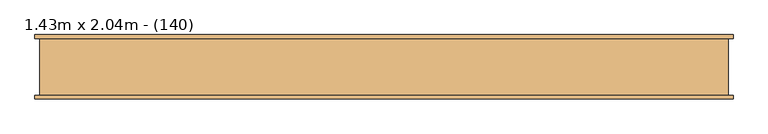
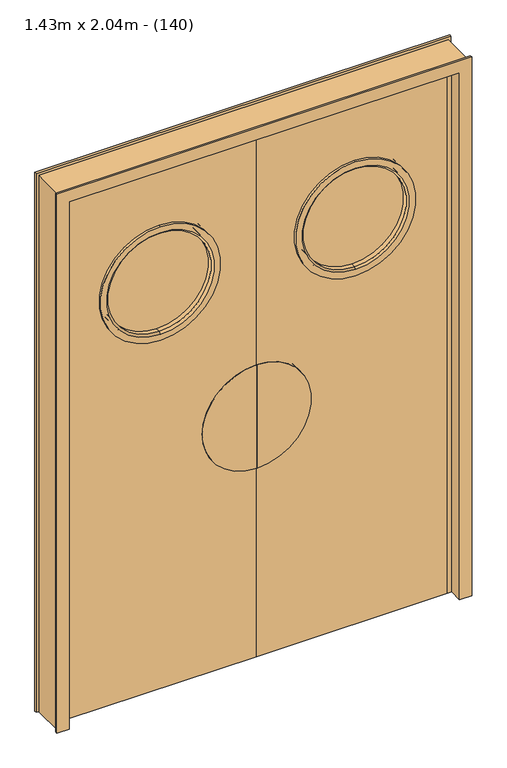
"""IFC4 building model written with IfcOpenShell, lengths in millimetres: door geometry, 1.43m x 2.04m - (140)."""

from ifc_helpers import new_model, si_unit, point, frame, frame_2d, origin, place, context, project, spatial, polyline, circle_curve, trimmed, segment, composite_curve, outline, extrude, faceted_brep, source, transform, mapped, element, save
from ifc_brep_helpers import plane_surface, cylinder_surface, revolved_surface, advanced_brep


def door_1_43m_x_2_04m_140_79fa0067(model_context):
    return source(origin(), model_context, "Body", "SolidModel", [
        faceted_brep([(-750.0, -62.0, 0.0), (-750.0, 62.0, 0.0), (-760.0, 62.0, 0.0), (-760.0, 70.0, 0.0), (-715.0, 70.0, 0.0), (-715.0, 20.0, 0.0), (-700.0, 20.0, 0.0), (-700.0, -20.0, 0.0), (-715.0, -20.0, 0.0), (-715.0, -70.0, 0.0), (-760.0, -70.0, 0.0), (-760.0, -62.0, 0.0), (-750.0, -62.0, 2075.0), (-750.0, 62.0, 2075.0), (750.0, 62.0, 2075.0), (750.0, 62.0, 0.0), (760.0, 62.0, 0.0), (760.0, 62.0, 2085.0), (-760.0, 62.0, 2085.0), (-760.0, 70.0, 2085.0), (760.0, 70.0, 2085.0), (760.0, 70.0, 0.0), (715.0, 70.0, 0.0), (715.0, 70.0, 2040.0), (-715.0, 70.0, 2040.0), (-715.0, 20.0, 2040.0), (715.0, 20.0, 2040.0), (715.0, 20.0, 0.0), (700.0, 20.0, 0.0), (700.0, 20.0, 2025.0), (-700.0, 20.0, 2025.0), (-700.0, -20.0, 2025.0), (700.0, -20.0, 2025.0), (700.0, -20.0, 0.0), (715.0, -20.0, 0.0), (715.0, -20.0, 2040.0), (-715.0, -20.0, 2040.0), (-715.0, -70.0, 2040.0), (715.0, -70.0, 2040.0), (715.0, -70.0, 0.0), (760.0, -70.0, 0.0), (760.0, -70.0, 2085.0), (-760.0, -70.0, 2085.0), (-760.0, -62.0, 2085.0), (760.0, -62.0, 2085.0), (760.0, -62.0, 0.0), (750.0, -62.0, 0.0), (750.0, -62.0, 2075.0)], [[[0, 1, 2, 3, 4, 5, 6, 7, 8, 9, 10, 11]], [[1, 0, 12, 13]], [[2, 1, 13, 14, 15, 16, 17, 18]], [[3, 2, 18, 19]], [[4, 3, 19, 20, 21, 22, 23, 24]], [[5, 4, 24, 25]], [[6, 5, 25, 26, 27, 28, 29, 30]], [[7, 6, 30, 31]], [[8, 7, 31, 32, 33, 34, 35, 36]], [[9, 8, 36, 37]], [[10, 9, 37, 38, 39, 40, 41, 42]], [[11, 10, 42, 43]], [[0, 11, 43, 44, 45, 46, 47, 12]], [[14, 47, 46, 15]], [[46, 45, 40, 39, 34, 33, 28, 27, 22, 21, 16, 15]], [[20, 17, 16, 21]], [[26, 23, 22, 27]], [[32, 29, 28, 33]], [[38, 35, 34, 39]], [[44, 41, 40, 45]], [[13, 12, 47, 14]], [[19, 18, 17, 20]], [[25, 24, 23, 26]], [[31, 30, 29, 32]], [[37, 36, 35, 38]], [[43, 42, 41, 44]]]),
        extrude(outline(composite_curve([segment(trimmed(circle_curve(frame_2d((1575.0, 357.5)), 200.0), [point((1375.0, 357.5))], [point((1775.0, 357.5))], False, "CARTESIAN"), True, "CONTINUOUS"), segment(trimmed(circle_curve(frame_2d((1575.0, 357.5)), 200.0), [point((1775.0, 357.5))], [point((1375.0, 357.5))], False, "CARTESIAN"), True, "CONTINUOUS")], self_intersect=False)), frame((0.0, -5.0, 0.0), z_axis=(0.0, 1.0, 0.0), x_axis=(0.0, 0.0, 1.0)), (0.0, 0.0, 1.0), 10.0),
        extrude(outline(composite_curve([segment(trimmed(circle_curve(frame_2d((1575.0, -357.5)), 200.0), [point((1775.0, -357.5))], [point((1375.0, -357.5))], False, "CARTESIAN"), True, "CONTINUOUS"), segment(trimmed(circle_curve(frame_2d((1575.0, -357.5)), 200.0), [point((1375.0, -357.5))], [point((1775.0, -357.5))], False, "CARTESIAN"), True, "CONTINUOUS")], self_intersect=False)), frame((0.0, -5.0, 0.0), z_axis=(0.0, 1.0, 0.0), x_axis=(0.0, 0.0, 1.0)), (0.0, 0.0, 1.0), 10.0),
        extrude(outline(polyline([(2025.0, 700.0), (2025.0, 0.0), (0.0, 0.0), (0.0, 700.0), (2025.0, 700.0)]), holes=[composite_curve([segment(trimmed(circle_curve(frame_2d((1575.0, 357.5)), 200.0), [point((1375.0, 357.5))], [point((1775.0, 357.5))], True, "CARTESIAN"), True, "CONTINUOUS"), segment(trimmed(circle_curve(frame_2d((1575.0, 357.5)), 200.0), [point((1775.0, 357.5))], [point((1375.0, 357.5))], True, "CARTESIAN"), True, "CONTINUOUS")], self_intersect=False)]), frame((0.0, -20.0, 0.0), z_axis=(0.0, 1.0, 0.0), x_axis=(0.0, 0.0, 1.0)), (0.0, 0.0, 1.0), 40.0),
        extrude(outline(polyline([(2025.0, 0.0), (2025.0, -700.0), (0.0, -700.0), (0.0, 0.0), (2025.0, 0.0)]), holes=[composite_curve([segment(trimmed(circle_curve(frame_2d((1575.0, -357.5)), 200.0), [point((1375.0, -357.5))], [point((1775.0, -357.5))], True, "CARTESIAN"), True, "CONTINUOUS"), segment(trimmed(circle_curve(frame_2d((1575.0, -357.5)), 200.0), [point((1775.0, -357.5))], [point((1375.0, -357.5))], True, "CARTESIAN"), True, "CONTINUOUS")], self_intersect=False)]), frame((0.0, -20.0, 0.0), z_axis=(0.0, 1.0, 0.0), x_axis=(0.0, 0.0, 1.0)), (0.0, 0.0, 1.0), 40.0),
        advanced_brep(
        [(357.5, -30.0, 1795.0), (357.5, -30.0, 1355.0), (357.5, -20.0, 1355.0), (357.5, -20.0, 1795.0), (357.5, -24.1421356, 1765.0), (357.5, -24.1421356, 1385.0), (357.5, -30.0, 1379.1421356), (357.5, -30.0, 1770.8578644), (357.5, -5.0, 1765.0), (357.5, -5.0, 1385.0), (357.5, -20.0, 1775.0), (357.5, -20.0, 1375.0), (357.5, -5.0, 1375.0), (357.5, -5.0, 1775.0)],
        [
            (0, 1, circle_curve(frame((357.5, -30.0, 1575.0), z_axis=(0.0, 1.0, 0.0), x_axis=(0.0, 0.0, -1.0)), 220.0)),
            (1, 2),
            (2, 3, circle_curve(frame((357.5, -20.0, 1575.0), z_axis=(0.0, -1.0, 0.0), x_axis=(0.0, 0.0, -1.0)), 220.0)),
            (3, 0),
            (4, 5, circle_curve(frame((357.5, -24.1421356, 1575.0), z_axis=(0.0, 1.0, 0.0), x_axis=(0.0, 0.0, -1.0)), 190.0)),
            (5, 6),
            (6, 7, circle_curve(frame((357.5, -30.0, 1575.0), z_axis=(0.0, -1.0, 0.0), x_axis=(0.0, 0.0, -1.0)), 195.8578644)),
            (7, 4),
            (8, 9, circle_curve(frame((357.5, -5.0, 1575.0), z_axis=(0.0, 1.0, 0.0), x_axis=(0.0, 0.0, -1.0)), 190.0)),
            (9, 5),
            (4, 8),
            (10, 11, circle_curve(frame((357.5, -20.0, 1575.0), z_axis=(0.0, 1.0, 0.0), x_axis=(0.0, 0.0, -1.0)), 200.0)),
            (11, 12),
            (12, 13, circle_curve(frame((357.5, -5.0, 1575.0), z_axis=(0.0, -1.0, 0.0), x_axis=(0.0, 0.0, -1.0)), 200.0)),
            (13, 10),
            (2, 3, circle_curve(frame((357.5, -20.0, 1575.0), z_axis=(0.0, 1.0, 0.0), x_axis=(0.0, 0.0, 1.0)), 220.0)),
            (10, 11, circle_curve(frame((357.5, -20.0, 1575.0), z_axis=(0.0, -1.0, 0.0), x_axis=(0.0, 0.0, 1.0)), 200.0)),
            (1, 0, circle_curve(frame((357.5, -30.0, 1575.0), z_axis=(0.0, 1.0, 0.0), x_axis=(0.0, 0.0, 1.0)), 220.0)),
            (6, 7, circle_curve(frame((357.5, -30.0, 1575.0), z_axis=(0.0, 1.0, 0.0), x_axis=(0.0, 0.0, 1.0)), 195.8578644)),
            (5, 4, circle_curve(frame((357.5, -24.1421356, 1575.0), z_axis=(0.0, 1.0, 0.0), x_axis=(0.0, 0.0, 1.0)), 190.0)),
            (9, 8, circle_curve(frame((357.5, -5.0, 1575.0), z_axis=(0.0, 1.0, 0.0), x_axis=(0.0, 0.0, 1.0)), 190.0)),
            (12, 13, circle_curve(frame((357.5, -5.0, 1575.0), z_axis=(0.0, 1.0, 0.0), x_axis=(0.0, 0.0, 1.0)), 200.0)),
        ],
        [
            cylinder_surface(frame((357.5, -20.0, 1575.0), z_axis=(0.0, -1.0, 0.0), x_axis=(0.0, 0.0, -1.0)), 220.0),
            revolved_surface(polyline([(357.5, -30.0, 1379.1421356), (357.5, -24.1421356, 1385.0)]), (357.5, -20.0, 1575.0), (0.0, -1.0, 0.0)),
            revolved_surface(polyline([(357.5, -24.1421356, 1385.0), (357.5, -5.0, 1385.0)]), (357.5, -20.0, 1575.0), (0.0, -1.0, 0.0)),
            cylinder_surface(frame((357.5, -20.0, 1575.0), z_axis=(0.0, -1.0, 0.0), x_axis=(0.0, 0.0, -1.0)), 200.0),
            plane_surface(frame((357.5, -20.0, 1575.0), z_axis=(0.0, 1.0, 0.0), x_axis=(0.0, 0.0, 1.0))),
            cylinder_surface(frame((357.5, -20.0, 1575.0), z_axis=(0.0, -1.0, 0.0), x_axis=(0.0, 0.0, 1.0)), 220.0),
            plane_surface(frame((357.5, -30.0, 1575.0), z_axis=(0.0, -1.0, 0.0), x_axis=(0.0, 0.0, 1.0))),
            revolved_surface(polyline([(357.5, -30.0, 1770.8578644), (357.5, -24.1421356, 1765.0)]), (357.5, -20.0, 1575.0), (0.0, -1.0, 0.0)),
            revolved_surface(polyline([(357.5, -24.1421356, 1765.0), (357.5, -5.0, 1765.0)]), (357.5, -20.0, 1575.0), (0.0, -1.0, 0.0)),
            plane_surface(frame((357.5, -5.0, 1575.0), z_axis=(0.0, 1.0, 0.0), x_axis=(0.0, 0.0, 1.0))),
            cylinder_surface(frame((357.5, -20.0, 1575.0), z_axis=(0.0, -1.0, 0.0), x_axis=(0.0, 0.0, 1.0)), 200.0),
        ],
        [
            (0, [[1, 2, 3, 4]]),
            (1, [[5, 6, 7, 8]]),
            (2, [[9, 10, -5, 11]]),
            (3, [[12, 13, 14, 15]]),
            (4, [[16, -3], [17, -12]]),
            (5, [[18, -4, -16, -2]]),
            (6, [[-18, -1], [19, -7]]),
            (7, [[20, -8, -19, -6]]),
            (8, [[21, -11, -20, -10]]),
            (9, [[22, -14], [-21, -9]]),
            (10, [[-17, -15, -22, -13]]),
        ],
    ),
        advanced_brep(
        [(357.5, 5.0, 1775.0), (357.5, 5.0, 1375.0), (357.5, 20.0, 1375.0), (357.5, 20.0, 1775.0), (357.5, 24.1421356, 1765.0), (357.5, 24.1421356, 1385.0), (357.5, 5.0, 1385.0), (357.5, 5.0, 1765.0), (357.5, 30.0, 1770.8578644), (357.5, 30.0, 1379.1421356), (357.5, 20.0, 1795.0), (357.5, 20.0, 1355.0), (357.5, 30.0, 1355.0), (357.5, 30.0, 1795.0)],
        [
            (0, 1, circle_curve(frame((357.5, 5.0, 1575.0), z_axis=(0.0, 1.0, 0.0), x_axis=(0.0, 0.0, -1.0)), 200.0)),
            (1, 2),
            (2, 3, circle_curve(frame((357.5, 20.0, 1575.0), z_axis=(0.0, -1.0, 0.0), x_axis=(0.0, 0.0, -1.0)), 200.0)),
            (3, 0),
            (4, 5, circle_curve(frame((357.5, 24.1421356, 1575.0), z_axis=(0.0, 1.0, 0.0), x_axis=(0.0, 0.0, -1.0)), 190.0)),
            (5, 6),
            (6, 7, circle_curve(frame((357.5, 5.0, 1575.0), z_axis=(0.0, -1.0, 0.0), x_axis=(0.0, 0.0, -1.0)), 190.0)),
            (7, 4),
            (8, 9, circle_curve(frame((357.5, 30.0, 1575.0), z_axis=(0.0, 1.0, 0.0), x_axis=(0.0, 0.0, -1.0)), 195.8578644)),
            (9, 5),
            (4, 8),
            (10, 11, circle_curve(frame((357.5, 20.0, 1575.0), z_axis=(0.0, 1.0, 0.0), x_axis=(0.0, 0.0, -1.0)), 220.0)),
            (11, 12),
            (12, 13, circle_curve(frame((357.5, 30.0, 1575.0), z_axis=(0.0, -1.0, 0.0), x_axis=(0.0, 0.0, -1.0)), 220.0)),
            (13, 10),
            (1, 0, circle_curve(frame((357.5, 5.0, 1575.0), z_axis=(0.0, 1.0, 0.0), x_axis=(0.0, 0.0, 1.0)), 200.0)),
            (3, 2, circle_curve(frame((357.5, 20.0, 1575.0), z_axis=(0.0, -1.0, 0.0), x_axis=(0.0, 0.0, 1.0)), 200.0)),
            (6, 7, circle_curve(frame((357.5, 5.0, 1575.0), z_axis=(0.0, 1.0, 0.0), x_axis=(0.0, 0.0, 1.0)), 190.0)),
            (5, 4, circle_curve(frame((357.5, 24.1421356, 1575.0), z_axis=(0.0, 1.0, 0.0), x_axis=(0.0, 0.0, 1.0)), 190.0)),
            (9, 8, circle_curve(frame((357.5, 30.0, 1575.0), z_axis=(0.0, 1.0, 0.0), x_axis=(0.0, 0.0, 1.0)), 195.8578644)),
            (12, 13, circle_curve(frame((357.5, 30.0, 1575.0), z_axis=(0.0, 1.0, 0.0), x_axis=(0.0, 0.0, 1.0)), 220.0)),
            (11, 10, circle_curve(frame((357.5, 20.0, 1575.0), z_axis=(0.0, 1.0, 0.0), x_axis=(0.0, 0.0, 1.0)), 220.0)),
        ],
        [
            cylinder_surface(frame((357.5, -20.0, 1575.0), z_axis=(0.0, -1.0, 0.0), x_axis=(0.0, 0.0, -1.0)), 200.0),
            revolved_surface(polyline([(357.5, 5.0, 1385.0), (357.5, 24.142135600000003, 1385.0)]), (357.5, -20.0, 1575.0), (0.0, -1.0, 0.0)),
            revolved_surface(polyline([(357.5, 24.1421356, 1385.0), (357.5, 30.0, 1379.1421356)]), (357.5, -20.0, 1575.0), (0.0, -1.0, 0.0)),
            cylinder_surface(frame((357.5, -20.0, 1575.0), z_axis=(0.0, -1.0, 0.0), x_axis=(0.0, 0.0, -1.0)), 220.0),
            cylinder_surface(frame((357.5, -20.0, 1575.0), z_axis=(0.0, -1.0, 0.0), x_axis=(0.0, 0.0, 1.0)), 200.0),
            plane_surface(frame((357.5, 5.0, 1575.0), z_axis=(0.0, -1.0, 0.0), x_axis=(0.0, 0.0, 1.0))),
            revolved_surface(polyline([(357.5, 5.0, 1765.0), (357.5, 24.142135600000003, 1765.0)]), (357.5, -20.0, 1575.0), (0.0, -1.0, 0.0)),
            revolved_surface(polyline([(357.5, 24.1421356, 1765.0), (357.5, 30.0, 1770.8578644)]), (357.5, -20.0, 1575.0), (0.0, -1.0, 0.0)),
            plane_surface(frame((357.5, 30.0, 1575.0), z_axis=(0.0, 1.0, 0.0), x_axis=(0.0, 0.0, 1.0))),
            cylinder_surface(frame((357.5, -20.0, 1575.0), z_axis=(0.0, -1.0, 0.0), x_axis=(0.0, 0.0, 1.0)), 220.0),
            plane_surface(frame((357.5, 20.0, 1575.0), z_axis=(0.0, -1.0, 0.0), x_axis=(0.0, 0.0, 1.0))),
        ],
        [
            (0, [[1, 2, 3, 4]]),
            (1, [[5, 6, 7, 8]]),
            (2, [[9, 10, -5, 11]]),
            (3, [[12, 13, 14, 15]]),
            (4, [[16, -4, 17, -2]]),
            (5, [[-16, -1], [18, -7]]),
            (6, [[19, -8, -18, -6]]),
            (7, [[20, -11, -19, -10]]),
            (8, [[21, -14], [-20, -9]]),
            (9, [[22, -15, -21, -13]]),
            (10, [[-22, -12], [-17, -3]]),
        ],
    ),
        advanced_brep(
        [(-357.5, -30.0, 1795.0), (-357.5, -30.0, 1355.0), (-357.5, -20.0, 1355.0), (-357.5, -20.0, 1795.0), (-357.5, -22.874508, 1765.0), (-357.5, -22.874508, 1385.0), (-357.5, -30.0, 1377.874508), (-357.5, -30.0, 1772.125492), (-357.5, -5.0, 1765.0), (-357.5, -5.0, 1385.0), (-357.5, -20.0, 1775.0), (-357.5, -20.0, 1375.0), (-357.5, -5.0, 1375.0), (-357.5, -5.0, 1775.0)],
        [
            (0, 1, circle_curve(frame((-357.5, -30.0, 1575.0), z_axis=(0.0, 1.0, 0.0), x_axis=(0.0, 0.0, -1.0)), 220.0)),
            (1, 2),
            (2, 3, circle_curve(frame((-357.5, -20.0, 1575.0), z_axis=(0.0, -1.0, 0.0), x_axis=(0.0, 0.0, -1.0)), 220.0)),
            (3, 0),
            (4, 5, circle_curve(frame((-357.5, -22.874508, 1575.0), z_axis=(0.0, 1.0, 0.0), x_axis=(0.0, 0.0, -1.0)), 190.0)),
            (5, 6),
            (6, 7, circle_curve(frame((-357.5, -30.0, 1575.0), z_axis=(0.0, -1.0, 0.0), x_axis=(0.0, 0.0, -1.0)), 197.125492)),
            (7, 4),
            (8, 9, circle_curve(frame((-357.5, -5.0, 1575.0), z_axis=(0.0, 1.0, 0.0), x_axis=(0.0, 0.0, -1.0)), 190.0)),
            (9, 5),
            (4, 8),
            (10, 11, circle_curve(frame((-357.5, -20.0, 1575.0), z_axis=(0.0, 1.0, 0.0), x_axis=(0.0, 0.0, -1.0)), 200.0)),
            (11, 12),
            (12, 13, circle_curve(frame((-357.5, -5.0, 1575.0), z_axis=(0.0, -1.0, 0.0), x_axis=(0.0, 0.0, -1.0)), 200.0)),
            (13, 10),
            (2, 3, circle_curve(frame((-357.5, -20.0, 1575.0), z_axis=(0.0, 1.0, 0.0), x_axis=(0.0, 0.0, 1.0)), 220.0)),
            (10, 11, circle_curve(frame((-357.5, -20.0, 1575.0), z_axis=(0.0, -1.0, 0.0), x_axis=(0.0, 0.0, 1.0)), 200.0)),
            (1, 0, circle_curve(frame((-357.5, -30.0, 1575.0), z_axis=(0.0, 1.0, 0.0), x_axis=(0.0, 0.0, 1.0)), 220.0)),
            (6, 7, circle_curve(frame((-357.5, -30.0, 1575.0), z_axis=(0.0, 1.0, 0.0), x_axis=(0.0, 0.0, 1.0)), 197.125492)),
            (5, 4, circle_curve(frame((-357.5, -22.874508, 1575.0), z_axis=(0.0, 1.0, 0.0), x_axis=(0.0, 0.0, 1.0)), 190.0)),
            (9, 8, circle_curve(frame((-357.5, -5.0, 1575.0), z_axis=(0.0, 1.0, 0.0), x_axis=(0.0, 0.0, 1.0)), 190.0)),
            (12, 13, circle_curve(frame((-357.5, -5.0, 1575.0), z_axis=(0.0, 1.0, 0.0), x_axis=(0.0, 0.0, 1.0)), 200.0)),
        ],
        [
            cylinder_surface(frame((-357.5, -20.0, 1575.0), z_axis=(0.0, -1.0, 0.0), x_axis=(0.0, 0.0, -1.0)), 220.0),
            revolved_surface(polyline([(-357.5, -30.0, 1377.874508), (-357.5, -22.874508, 1385.0)]), (-357.5, -20.0, 1575.0), (0.0, -1.0, 0.0)),
            revolved_surface(polyline([(-357.5, -22.874508, 1385.0), (-357.5, -5.0, 1385.0)]), (-357.5, -20.0, 1575.0), (0.0, -1.0, 0.0)),
            cylinder_surface(frame((-357.5, -20.0, 1575.0), z_axis=(0.0, -1.0, 0.0), x_axis=(0.0, 0.0, -1.0)), 200.0),
            plane_surface(frame((-357.5, -20.0, 1575.0), z_axis=(0.0, 1.0, 0.0), x_axis=(0.0, 0.0, 1.0))),
            cylinder_surface(frame((-357.5, -20.0, 1575.0), z_axis=(0.0, -1.0, 0.0), x_axis=(0.0, 0.0, 1.0)), 220.0),
            plane_surface(frame((-357.5, -30.0, 1575.0), z_axis=(0.0, -1.0, 0.0), x_axis=(0.0, 0.0, 1.0))),
            revolved_surface(polyline([(-357.5, -30.0, 1772.125492), (-357.5, -22.874508, 1765.0)]), (-357.5, -20.0, 1575.0), (0.0, -1.0, 0.0)),
            revolved_surface(polyline([(-357.5, -22.874508, 1765.0), (-357.5, -5.0, 1765.0)]), (-357.5, -20.0, 1575.0), (0.0, -1.0, 0.0)),
            plane_surface(frame((-357.5, -5.0, 1575.0), z_axis=(0.0, 1.0, 0.0), x_axis=(0.0, 0.0, 1.0))),
            cylinder_surface(frame((-357.5, -20.0, 1575.0), z_axis=(0.0, -1.0, 0.0), x_axis=(0.0, 0.0, 1.0)), 200.0),
        ],
        [
            (0, [[1, 2, 3, 4]]),
            (1, [[5, 6, 7, 8]]),
            (2, [[9, 10, -5, 11]]),
            (3, [[12, 13, 14, 15]]),
            (4, [[16, -3], [17, -12]]),
            (5, [[18, -4, -16, -2]]),
            (6, [[-18, -1], [19, -7]]),
            (7, [[20, -8, -19, -6]]),
            (8, [[21, -11, -20, -10]]),
            (9, [[22, -14], [-21, -9]]),
            (10, [[-17, -15, -22, -13]]),
        ],
    ),
        advanced_brep(
        [(-357.5, 5.0, 1775.0), (-357.5, 5.0, 1375.0), (-357.5, 20.0, 1375.0), (-357.5, 20.0, 1775.0), (-357.5, 22.874508, 1765.0), (-357.5, 22.874508, 1385.0), (-357.5, 5.0, 1385.0), (-357.5, 5.0, 1765.0), (-357.5, 30.0, 1772.125492), (-357.5, 30.0, 1377.874508), (-357.5, 20.0, 1795.0), (-357.5, 20.0, 1355.0), (-357.5, 30.0, 1355.0), (-357.5, 30.0, 1795.0)],
        [
            (0, 1, circle_curve(frame((-357.5, 5.0, 1575.0), z_axis=(0.0, 1.0, 0.0), x_axis=(0.0, 0.0, -1.0)), 200.0)),
            (1, 2),
            (2, 3, circle_curve(frame((-357.5, 20.0, 1575.0), z_axis=(0.0, -1.0, 0.0), x_axis=(0.0, 0.0, -1.0)), 200.0)),
            (3, 0),
            (4, 5, circle_curve(frame((-357.5, 22.874508, 1575.0), z_axis=(0.0, 1.0, 0.0), x_axis=(0.0, 0.0, -1.0)), 190.0)),
            (5, 6),
            (6, 7, circle_curve(frame((-357.5, 5.0, 1575.0), z_axis=(0.0, -1.0, 0.0), x_axis=(0.0, 0.0, -1.0)), 190.0)),
            (7, 4),
            (8, 9, circle_curve(frame((-357.5, 30.0, 1575.0), z_axis=(0.0, 1.0, 0.0), x_axis=(0.0, 0.0, -1.0)), 197.125492)),
            (9, 5),
            (4, 8),
            (10, 11, circle_curve(frame((-357.5, 20.0, 1575.0), z_axis=(0.0, 1.0, 0.0), x_axis=(0.0, 0.0, -1.0)), 220.0)),
            (11, 12),
            (12, 13, circle_curve(frame((-357.5, 30.0, 1575.0), z_axis=(0.0, -1.0, 0.0), x_axis=(0.0, 0.0, -1.0)), 220.0)),
            (13, 10),
            (1, 0, circle_curve(frame((-357.5, 5.0, 1575.0), z_axis=(0.0, 1.0, 0.0), x_axis=(0.0, 0.0, 1.0)), 200.0)),
            (3, 2, circle_curve(frame((-357.5, 20.0, 1575.0), z_axis=(0.0, -1.0, 0.0), x_axis=(0.0, 0.0, 1.0)), 200.0)),
            (6, 7, circle_curve(frame((-357.5, 5.0, 1575.0), z_axis=(0.0, 1.0, 0.0), x_axis=(0.0, 0.0, 1.0)), 190.0)),
            (5, 4, circle_curve(frame((-357.5, 22.874508, 1575.0), z_axis=(0.0, 1.0, 0.0), x_axis=(0.0, 0.0, 1.0)), 190.0)),
            (9, 8, circle_curve(frame((-357.5, 30.0, 1575.0), z_axis=(0.0, 1.0, 0.0), x_axis=(0.0, 0.0, 1.0)), 197.125492)),
            (12, 13, circle_curve(frame((-357.5, 30.0, 1575.0), z_axis=(0.0, 1.0, 0.0), x_axis=(0.0, 0.0, 1.0)), 220.0)),
            (11, 10, circle_curve(frame((-357.5, 20.0, 1575.0), z_axis=(0.0, 1.0, 0.0), x_axis=(0.0, 0.0, 1.0)), 220.0)),
        ],
        [
            cylinder_surface(frame((-357.5, -20.0, 1575.0), z_axis=(0.0, -1.0, 0.0), x_axis=(0.0, 0.0, -1.0)), 200.0),
            revolved_surface(polyline([(-357.5, 5.0, 1385.0), (-357.5, 22.874508, 1385.0)]), (-357.5, -20.0, 1575.0), (0.0, -1.0, 0.0)),
            revolved_surface(polyline([(-357.5, 22.874508, 1385.0), (-357.5, 30.0, 1377.874508)]), (-357.5, -20.0, 1575.0), (0.0, -1.0, 0.0)),
            cylinder_surface(frame((-357.5, -20.0, 1575.0), z_axis=(0.0, -1.0, 0.0), x_axis=(0.0, 0.0, -1.0)), 220.0),
            cylinder_surface(frame((-357.5, -20.0, 1575.0), z_axis=(0.0, -1.0, 0.0), x_axis=(0.0, 0.0, 1.0)), 200.0),
            plane_surface(frame((-357.5, 5.0, 1575.0), z_axis=(0.0, -1.0, 0.0), x_axis=(0.0, 0.0, 1.0))),
            revolved_surface(polyline([(-357.5, 5.0, 1765.0), (-357.5, 22.874508, 1765.0)]), (-357.5, -20.0, 1575.0), (0.0, -1.0, 0.0)),
            revolved_surface(polyline([(-357.5, 22.874508, 1765.0), (-357.5, 30.0, 1772.125492)]), (-357.5, -20.0, 1575.0), (0.0, -1.0, 0.0)),
            plane_surface(frame((-357.5, 30.0, 1575.0), z_axis=(0.0, 1.0, 0.0), x_axis=(0.0, 0.0, 1.0))),
            cylinder_surface(frame((-357.5, -20.0, 1575.0), z_axis=(0.0, -1.0, 0.0), x_axis=(0.0, 0.0, 1.0)), 220.0),
            plane_surface(frame((-357.5, 20.0, 1575.0), z_axis=(0.0, -1.0, 0.0), x_axis=(0.0, 0.0, 1.0))),
        ],
        [
            (0, [[1, 2, 3, 4]]),
            (1, [[5, 6, 7, 8]]),
            (2, [[9, 10, -5, 11]]),
            (3, [[12, 13, 14, 15]]),
            (4, [[16, -4, 17, -2]]),
            (5, [[-16, -1], [18, -7]]),
            (6, [[19, -8, -18, -6]]),
            (7, [[20, -11, -19, -10]]),
            (8, [[21, -14], [-20, -9]]),
            (9, [[22, -15, -21, -13]]),
            (10, [[-22, -12], [-17, -3]]),
        ],
    ),
        extrude(outline(composite_curve([segment(trimmed(circle_curve(frame_2d((930.0, 0.0)), 200.0), [point((1130.0, 0.0))], [point((730.0, 0.0))], False, "CARTESIAN"), True, "CONTINUOUS"), segment(polyline([(730.0, 0.0), (1130.0, 0.0)]), True, "CONTINUOUS")], self_intersect=False)), frame((0.0, 20.0, 0.0), z_axis=(0.0, 1.0, 0.0), x_axis=(0.0, 0.0, 1.0)), (0.0, 0.0, 1.0), 2.0),
        extrude(outline(composite_curve([segment(polyline([(1130.0, 0.0), (730.0, 0.0)]), True, "CONTINUOUS"), segment(trimmed(circle_curve(frame_2d((930.0, 0.0)), 200.0), [point((730.0, 0.0))], [point((1130.0, 0.0))], False, "CARTESIAN"), True, "CONTINUOUS")], self_intersect=False)), frame((0.0, 20.0, 0.0), z_axis=(0.0, 1.0, 0.0), x_axis=(0.0, 0.0, 1.0)), (0.0, 0.0, 1.0), 2.0),
        extrude(outline(composite_curve([segment(trimmed(circle_curve(frame_2d((930.0, 0.0)), 200.0), [point((730.0, 0.0))], [point((1130.0, 0.0))], False, "CARTESIAN"), True, "CONTINUOUS"), segment(polyline([(1130.0, 0.0), (730.0, 0.0)]), True, "CONTINUOUS")], self_intersect=False)), frame((0.0, -22.0, 0.0), z_axis=(0.0, 1.0, 0.0), x_axis=(0.0, 0.0, 1.0)), (0.0, 0.0, 1.0), 2.0),
        extrude(outline(composite_curve([segment(polyline([(730.0, 0.0), (1130.0, 0.0)]), True, "CONTINUOUS"), segment(trimmed(circle_curve(frame_2d((930.0, 0.0)), 200.0), [point((1130.0, 0.0))], [point((730.0, 0.0))], False, "CARTESIAN"), True, "CONTINUOUS")], self_intersect=False)), frame((0.0, -22.0, 0.0), z_axis=(0.0, 1.0, 0.0), x_axis=(0.0, 0.0, 1.0)), (0.0, 0.0, 1.0), 2.0),
    ])


if __name__ == "__main__":
    model = new_model("IFC4")
    model_context = context("Model", 3, world=origin())
    ifc_project = project(units=[si_unit("LENGTHUNIT", "METRE", prefix="MILLI")], contexts=[model_context])
    site = spatial("IfcSite", under=ifc_project)
    building = spatial("IfcBuilding", under=site)
    placement = place(None, origin())
    door_1_43m_x_2_04m_140_shape = door_1_43m_x_2_04m_140_79fa0067(model_context)
    element("IfcDoor", 1, ObjectType="1.43m x 2.04m - (140)", at=placement, inside=building, context=model_context, shape_type="MappedRepresentation", body=[
        mapped(door_1_43m_x_2_04m_140_shape, transform((0.0, 0.0, 0.0), x_axis=(1.0, 0.0, 0.0), y_axis=(0.0, 1.0, 0.0), z_axis=(0.0, 0.0, 1.0))),
    ])
    save(model, "model.ifc")
